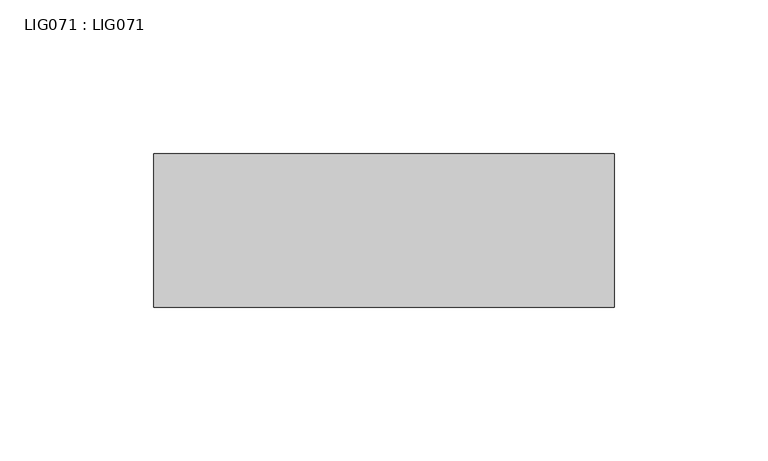
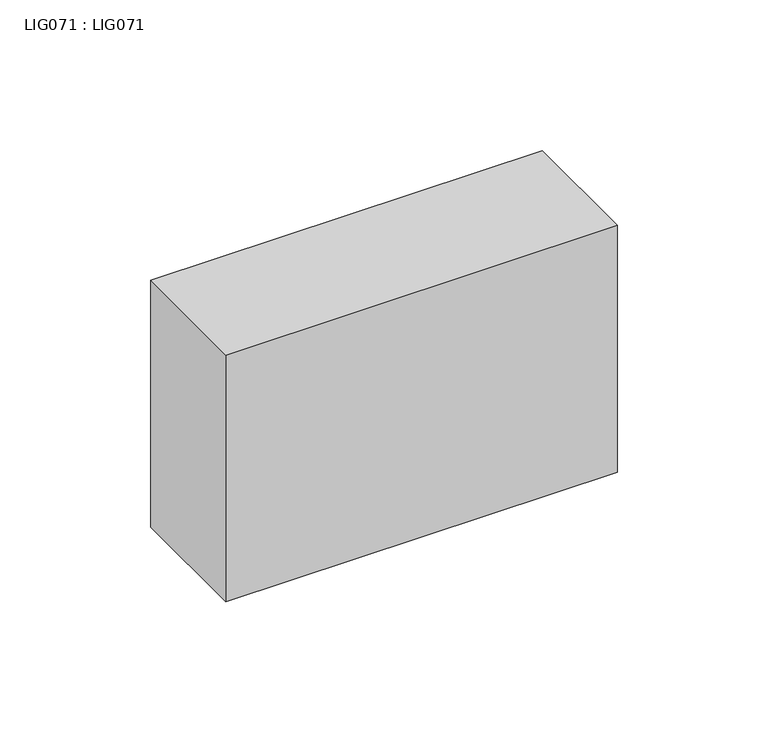
"""IFC4 building model written with IfcOpenShell, lengths in millimetres: proxy geometry, LIG071 : LIG071."""

from ifc_helpers import new_model, si_unit, origin, origin_with_axes, place, context, project, spatial, polyline, outline, extrude, source, transform, mapped, element, save


def lig071_lig071_3d95a6bf(model_context):
    return source(origin(), model_context, "Body", "SweptSolid", [
        extrude(outline(polyline([(75.0000006, 0.0), (75.0000006, -50.0000004), (-75.0000006, -50.0000004), (-75.0000006, 0.0), (75.0000006, 0.0)])), origin_with_axes(), (0.0, 0.0, 1.0), 100.0000008),
    ])


if __name__ == "__main__":
    model = new_model("IFC4")
    model_context = context("Model", 3, world=origin())
    ifc_project = project(units=[si_unit("LENGTHUNIT", "METRE", prefix="MILLI")], contexts=[model_context])
    site = spatial("IfcSite", under=ifc_project)
    building = spatial("IfcBuilding", under=site)
    placement = place(None, origin())
    lig071_lig071_shape = lig071_lig071_3d95a6bf(model_context)
    element("IfcBuildingElementProxy", 1, Name="LIG071 : LIG071", ObjectType="LIG071 : LIG071", at=placement, inside=building, context=model_context, shape_type="MappedRepresentation", body=[
        mapped(lig071_lig071_shape, transform((0.0, 0.0, 0.0), x_axis=(1.0, 0.0, 0.0), y_axis=(0.0, 1.0, 0.0), z_axis=(0.0, 0.0, 1.0))),
    ])
    save(model, "model.ifc")
